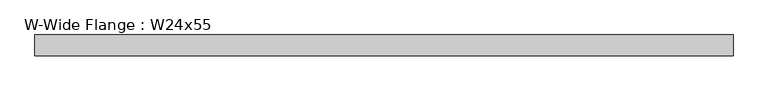
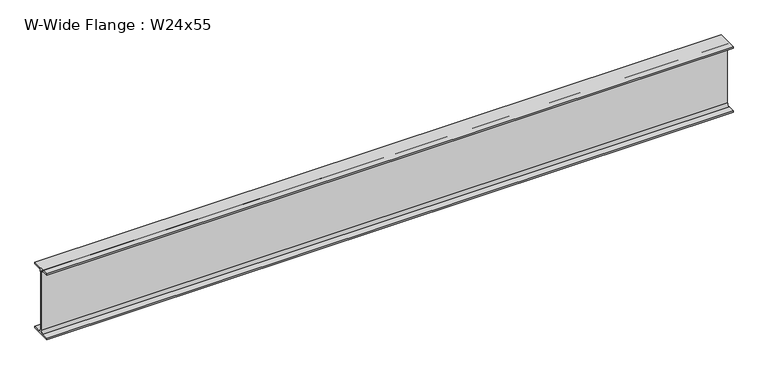
"""IFC4 building model written with IfcOpenShell, lengths in millimetres: beam geometry, W-Wide Flange : W24x55."""

import ifcopenshell
import ifcopenshell.guid

model = None  # the IFC model being written
_history = None  # IfcOwnerHistory: only IFC2X3 demands one
_inside = {}  # id of a spatial element -> (the spatial element, [elements in it])
_under = {}  # id of a project, library or spatial element -> (it, [spatial elements below it])
_declared = {}  # id of a project -> (the project, [libraries it declares])
_typed = {}  # id of a type object -> (the type object, [elements of that type])
_made_of = {}  # id of a material, layer set ... -> (it, [elements and type objects made of it])


def new_model(schema):
    """Start an empty IFC model of exactly this schema.

    Asked for "IFC4X3", IfcOpenShell would pick the latest addendum, in which some entities
    have other attributes; the version numbers below select the first issue.
    IFC2X3 requires an IfcOwnerHistory on every rooted entity: one is made here for all.
    """
    global model, _history
    if schema == "IFC4X3":
        model = ifcopenshell.file(schema_version=(4, 3, 0, 0))
    else:
        model = ifcopenshell.file(schema=schema)
    _inside.clear()
    _under.clear()
    _declared.clear()
    _typed.clear()
    _made_of.clear()
    _history = None
    if model.schema == "IFC2X3":
        org = make("IfcOrganization", Name="unknown")
        user = make(
            "IfcPersonAndOrganization",
            ThePerson=make("IfcPerson", FamilyName="unknown"),
            TheOrganization=org,
        )
        app = make(
            "IfcApplication",
            ApplicationDeveloper=org,
            Version="unknown",
            ApplicationFullName="unknown",
            ApplicationIdentifier="unknown",
        )
        _history = make(
            "IfcOwnerHistory",
            OwningUser=user,
            OwningApplication=app,
            ChangeAction="ADDED",
            CreationDate=0,
        )
    return model


def make(cls, **values):
    """One entity of the class cls with the attributes given. An attribute that is None is left unset."""
    return model.create_entity(
        cls, **{name: value for name, value in values.items() if value is not None}
    )


def rooted(cls, **values):
    """An entity with a GlobalId (a new one), such as an element, a storey or a relation."""
    return make(cls, GlobalId=ifcopenshell.guid.new(), OwnerHistory=_history, **values)


def si_unit(unit_type, name, prefix=None):
    """IfcSIUnit, for example si_unit("LENGTHUNIT", "METRE", prefix="MILLI")."""
    return make("IfcSIUnit", UnitType=unit_type, Prefix=prefix, Name=name)


def assignment(units):
    """IfcUnitAssignment: the units of a project."""
    return None if units is None else make("IfcUnitAssignment", Units=units)


def point(xyz):
    """IfcCartesianPoint."""
    return None if xyz is None else make("IfcCartesianPoint", Coordinates=xyz)


def direction(xyz):
    """IfcDirection."""
    return None if xyz is None else make("IfcDirection", DirectionRatios=xyz)


def frame(location, z_axis=None, x_axis=None):
    """IfcAxis2Placement3D, a coordinate frame: its origin and axes. An axis left out is left unset."""
    return make(
        "IfcAxis2Placement3D",
        Location=point(location),
        Axis=direction(z_axis),
        RefDirection=direction(x_axis),
    )


def frame_2d(location, x_axis=None):
    """IfcAxis2Placement2D, a coordinate frame in the plane: its origin and x axis."""
    return make(
        "IfcAxis2Placement2D", Location=point(location), RefDirection=direction(x_axis)
    )


def origin():
    """The frame at (0, 0, 0) with its axes left unset."""
    return frame((0.0, 0.0, 0.0))


def place(relative_to, where):
    """IfcLocalPlacement: puts the frame where relative to a parent placement (None: the world)."""
    return make(
        "IfcLocalPlacement", PlacementRelTo=relative_to, RelativePlacement=where
    )


def context(
    kind, dimensions, precision=None, world=None, true_north=None, identifier=None
):
    """IfcGeometricRepresentationContext, for example the 3D "Model" context."""
    return make(
        "IfcGeometricRepresentationContext",
        ContextIdentifier=identifier,
        ContextType=kind,
        CoordinateSpaceDimension=dimensions,
        Precision=precision,
        WorldCoordinateSystem=world,
        TrueNorth=true_north,
    )


def project(units=None, contexts=None):
    """IfcProject with its units and contexts."""
    return rooted(
        "IfcProject",
        Name="project",
        RepresentationContexts=contexts,
        UnitsInContext=assignment(units),
    )


def spatial(cls, under=None, at=None, **own):
    """A site, building, storey or space (cls), placed at a placement, below another one or the project."""
    s = rooted(cls, ObjectPlacement=at, **own)
    if under is not None:
        _under.setdefault(under.id(), (under, []))[1].append(s)
    return s


def polyline(points):
    """IfcPolyline through the points."""
    return make("IfcPolyline", Points=[point(p) for p in points])


def circle_curve(where, radius):
    """IfcCircle in the frame where."""
    return make("IfcCircle", Position=where, Radius=radius)


def trimmed(basis, trim1, trim2, sense, master):
    """IfcTrimmedCurve: the piece of a basis curve between two trims."""
    return make(
        "IfcTrimmedCurve",
        BasisCurve=basis,
        Trim1=trim1,
        Trim2=trim2,
        SenseAgreement=sense,
        MasterRepresentation=master,
    )


def segment(curve, same_sense, transition):
    """IfcCompositeCurveSegment."""
    return make(
        "IfcCompositeCurveSegment",
        Transition=transition,
        SameSense=same_sense,
        ParentCurve=curve,
    )


def composite_curve(segments, self_intersect=None):
    """IfcCompositeCurve: segments joined end to end."""
    return make("IfcCompositeCurve", Segments=segments, SelfIntersect=self_intersect)


def outline(outer, holes=None, kind="AREA"):
    """IfcArbitraryClosedProfileDef: a profile drawn as a closed curve; with holes, ...WithVoids."""
    if holes is None:
        return make("IfcArbitraryClosedProfileDef", ProfileType=kind, OuterCurve=outer)
    return make(
        "IfcArbitraryProfileDefWithVoids",
        ProfileType=kind,
        OuterCurve=outer,
        InnerCurves=holes,
    )


def extrude(swept, where, along, depth):
    """IfcExtrudedAreaSolid: the profile swept, set in the frame where, extruded along a direction by depth."""
    return make(
        "IfcExtrudedAreaSolid",
        SweptArea=swept,
        Position=where,
        ExtrudedDirection=direction(along),
        Depth=depth,
    )


def shape(context_of_items, identifier, shape_type, items):
    """IfcShapeRepresentation: the items that make up one representation, for example the "Body"."""
    return make(
        "IfcShapeRepresentation",
        ContextOfItems=context_of_items,
        RepresentationIdentifier=identifier,
        RepresentationType=shape_type,
        Items=items,
    )


def source(mapping_origin, context_of_items, identifier, shape_type, items):
    """IfcRepresentationMap: a shape defined once, which mapped items show again and again."""
    return make(
        "IfcRepresentationMap",
        MappingOrigin=mapping_origin,
        MappedRepresentation=shape(context_of_items, identifier, shape_type, items),
    )


def transform(
    local_origin,
    x_axis=None,
    y_axis=None,
    z_axis=None,
    scale=None,
    scale2=None,
    scale3=None,
    uniform=True,
):
    """IfcCartesianTransformationOperator3D, or its non-uniform kind. x_axis, y_axis, z_axis: its Axis1, 2, 3."""
    if uniform:
        return make(
            "IfcCartesianTransformationOperator3D",
            Axis1=direction(x_axis),
            Axis2=direction(y_axis),
            LocalOrigin=point(local_origin),
            Scale=scale,
            Axis3=direction(z_axis),
        )
    return make(
        "IfcCartesianTransformationOperator3DnonUniform",
        Axis1=direction(x_axis),
        Axis2=direction(y_axis),
        LocalOrigin=point(local_origin),
        Scale=scale,
        Axis3=direction(z_axis),
        Scale2=scale2,
        Scale3=scale3,
    )


def mapped(mapping_source, mapping_target):
    """IfcMappedItem: shows the shape of a source again, moved by a transform."""
    return make(
        "IfcMappedItem", MappingSource=mapping_source, MappingTarget=mapping_target
    )


def made_of(thing, what):
    """Note that an element or type object is made of a material, layer set ...; save() writes the relation."""
    if what is not None:
        _made_of.setdefault(what.id(), (what, []))[1].append(thing)
    return thing


def element(
    cls,
    number,
    at=None,
    inside=None,
    cuts=None,
    type_object=None,
    material=None,
    context=None,
    identifier="Body",
    shape_type=None,
    held_by="IfcProductDefinitionShape",
    body=None,
    shapes=None,
    **own,
):
    """One element of the class cls, such as IfcWall. Its Tag is "e" and its number.

    at: its placement. inside: the storey or other place that contains it. cuts: it is an
    opening in that element (IfcRelVoidsElement). A single representation is given by context,
    identifier, shape_type and body (its items); several are given by shapes. held_by: the class
    of the entity that holds the representations. save() writes the other relations.
    """
    e = rooted(cls, Tag="e%d" % number, ObjectPlacement=at, **own)
    if body is not None:
        shapes = [shape(context, identifier, shape_type, body)]
    if shapes is not None:
        e.Representation = make(held_by, Representations=shapes)
    if inside is not None:
        _inside.setdefault(inside.id(), (inside, []))[1].append(e)
    if cuts is not None:
        rooted(
            "IfcRelVoidsElement", RelatingBuildingElement=cuts, RelatedOpeningElement=e
        )
    if type_object is not None:
        _typed.setdefault(type_object.id(), (type_object, []))[1].append(e)
    return made_of(e, material)


def aggregate(whole, parts):
    """IfcRelAggregates: a whole, such as a stair, and the parts it consists of."""
    return rooted("IfcRelAggregates", RelatingObject=whole, RelatedObjects=parts)


def save(model, path):
    """Write the relations noted so far, then the file.

    IfcRelAggregates (storeys below a building ...), IfcRelContainedInSpatialStructure (elements
    in a storey), IfcRelDefinesByType, IfcRelAssociatesMaterial and IfcRelDeclares: one each for
    every whole, place, type object, material and project.
    """
    for whole, parts in _under.values():
        aggregate(whole, parts)
    for where, things in _inside.values():
        rooted(
            "IfcRelContainedInSpatialStructure",
            RelatedElements=things,
            RelatingStructure=where,
        )
    for kind, things in _typed.values():
        rooted("IfcRelDefinesByType", RelatedObjects=things, RelatingType=kind)
    for what, things in _made_of.values():
        rooted("IfcRelAssociatesMaterial", RelatedObjects=things, RelatingMaterial=what)
    for by, libraries in _declared.values():
        rooted("IfcRelDeclares", RelatingContext=by, RelatedDefinitions=libraries)
    model.write(path)


def w_wide_flange_w24x55_619a6ed6(model_context):
    return source(origin(), model_context, "Body", "SweptSolid", [
        extrude(outline(composite_curve([segment(polyline([(89.027, -286.893), (89.027, -299.72), (-89.027, -299.72), (-89.027, -286.893), (-28.702, -286.893)]), True, "CONTINUOUS"), segment(trimmed(circle_curve(frame_2d((-28.702, -263.2075)), 23.6855), [point((-28.702, -286.893))], [point((-5.0165, -263.2075))], True, "CARTESIAN"), True, "CONTINUOUS"), segment(polyline([(-5.0165, -263.2075), (-5.0165, 263.2075)]), True, "CONTINUOUS"), segment(trimmed(circle_curve(frame_2d((-28.702, 263.2075)), 23.6855), [point((-5.0165, 263.2075))], [point((-28.702, 286.893))], True, "CARTESIAN"), True, "CONTINUOUS"), segment(polyline([(-28.702, 286.893), (-89.027, 286.893), (-89.027, 299.72), (89.027, 299.72), (89.027, 286.893), (28.702, 286.893)]), True, "CONTINUOUS"), segment(trimmed(circle_curve(frame_2d((28.702, 263.2075)), 23.6855), [point((28.702, 286.893))], [point((5.0165, 263.2075))], True, "CARTESIAN"), True, "CONTINUOUS"), segment(polyline([(5.0165, 263.2075), (5.0165, -263.2075)]), True, "CONTINUOUS"), segment(trimmed(circle_curve(frame_2d((28.702, -263.2075)), 23.6855), [point((5.0165, -263.2075))], [point((28.702, -286.893))], True, "CARTESIAN"), True, "CONTINUOUS"), segment(polyline([(28.702, -286.893), (89.027, -286.893)]), True, "CONTINUOUS")], self_intersect=False)), frame((-2881.63, 0.0, 0.0), z_axis=(1.0, 0.0, 0.0), x_axis=(0.0, 1.0, 0.0)), (0.0, 0.0, 1.0), 5929.63),
    ])


if __name__ == "__main__":
    model = new_model("IFC4")
    model_context = context("Model", 3, world=origin())
    ifc_project = project(units=[si_unit("LENGTHUNIT", "METRE", prefix="MILLI")], contexts=[model_context])
    site = spatial("IfcSite", under=ifc_project)
    building = spatial("IfcBuilding", under=site)
    placement = place(None, origin())
    w_wide_flange_w24x55_shape = w_wide_flange_w24x55_619a6ed6(model_context)
    element("IfcBeam", 1, ObjectType="W-Wide Flange : W24x55", at=placement, inside=building, context=model_context, shape_type="MappedRepresentation", body=[
        mapped(w_wide_flange_w24x55_shape, transform((0.0, 0.0, 0.0), x_axis=(1.0, 0.0, 0.0), y_axis=(0.0, 1.0, 0.0), z_axis=(0.0, 0.0, 1.0))),
    ])
    save(model, "model.ifc")
